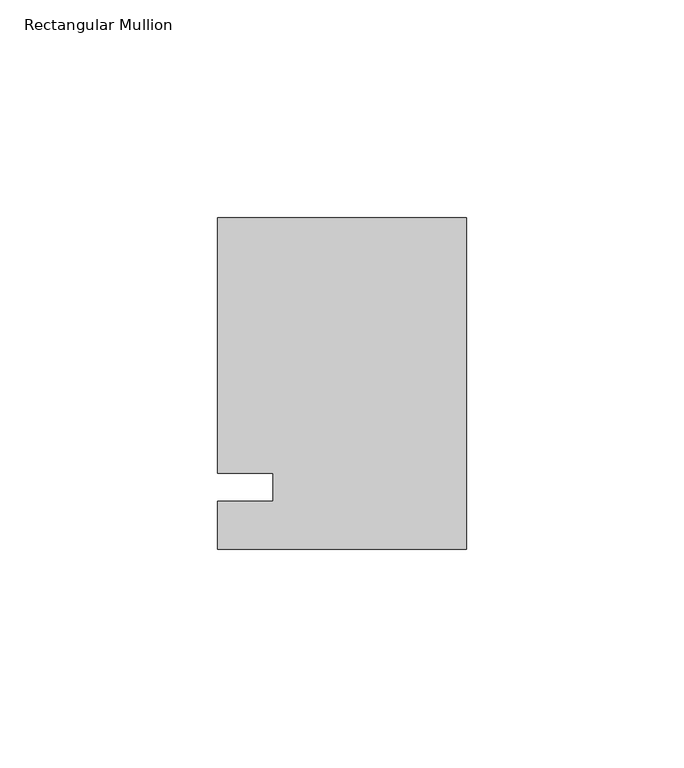
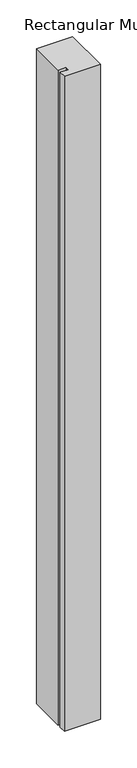
"""IFC4 building model written with IfcOpenShell, lengths in millimetres: member geometry, Rectangular Mullion."""

from ifc_helpers import new_model, si_unit, frame, origin, place, context, project, spatial, polyline, outline, extrude, source, transform, mapped, element, save


def rectangular_mullion_b2de5dc4(model_context):
    return source(origin(), model_context, "Body", "SweptSolid", [
        extrude(outline(polyline([(-57.15, 61.9125), (0.0, 61.9125), (0.0, -14.2875), (-57.15, -14.2875), (-57.15, -3.175), (-44.4482296, -3.175), (-44.4482296, 3.175), (-57.15, 3.175), (-57.15, 61.9125)])), frame((0.0, 0.0, -1091.0405973), z_axis=(0.0, 0.0, 1.0), x_axis=(1.0, 0.0, 0.0)), (0.0, 0.0, 1.0), 1091.0405973),
    ])


if __name__ == "__main__":
    model = new_model("IFC4")
    model_context = context("Model", 3, world=origin())
    ifc_project = project(units=[si_unit("LENGTHUNIT", "METRE", prefix="MILLI")], contexts=[model_context])
    site = spatial("IfcSite", under=ifc_project)
    building = spatial("IfcBuilding", under=site)
    placement = place(None, origin())
    rectangular_mullion_shape = rectangular_mullion_b2de5dc4(model_context)
    element("IfcMember", 1, ObjectType="Rectangular Mullion", at=placement, inside=building, context=model_context, shape_type="MappedRepresentation", body=[
        mapped(rectangular_mullion_shape, transform((0.0, 0.0, 0.0), x_axis=(1.0, 0.0, 0.0), y_axis=(0.0, 1.0, 0.0), z_axis=(0.0, 0.0, 1.0))),
    ])
    save(model, "model.ifc")
